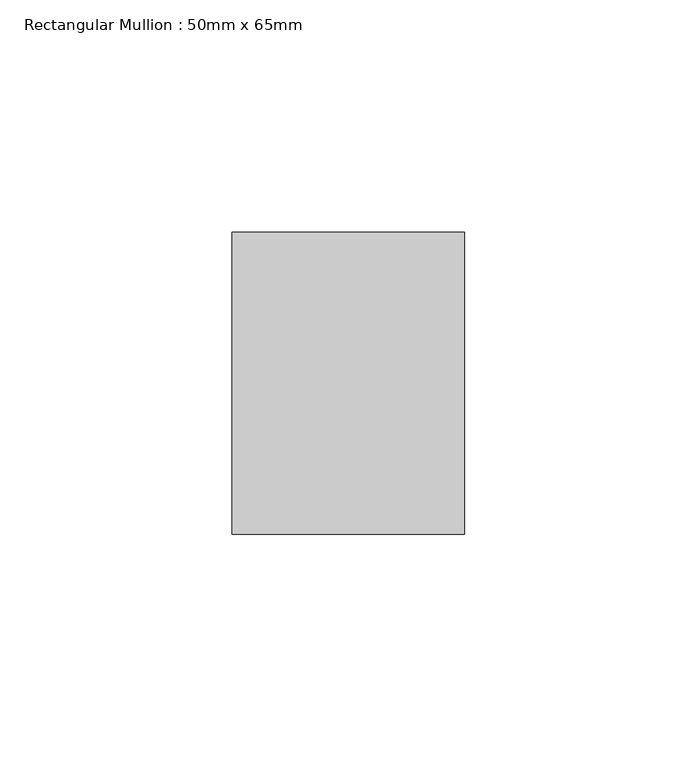
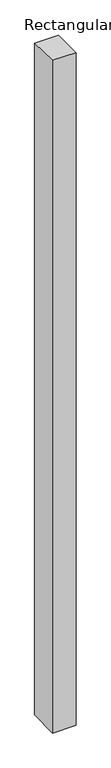
"""IFC4 building model written with IfcOpenShell, lengths in millimetres: member geometry, Rectangular Mullion : 50mm x 65mm."""

from ifc_helpers import new_model, si_unit, origin, place, context, project, spatial, faceted_brep, source, transform, mapped, element, save


def rectangular_mullion_50mm_x_65mm_68f679f6(model_context):
    return source(origin(), model_context, "Body", "Brep", [
        faceted_brep([(-25.0, 32.5, -0.5683197), (25.0, 32.5, -0.5683209), (25.0, 32.5, -1499.2868582), (-25.0, 32.5, -1499.2868597), (-25.0, -32.5, 0.5683209), (-25.0, -32.5, -1500.7122767), (25.0, -32.5, 0.5683197), (25.0, -32.5, -1500.7122752)], [[[0, 1, 2, 3]], [[4, 0, 3, 5]], [[6, 4, 5, 7]], [[1, 6, 7, 2]], [[1, 0, 4, 6]], [[2, 7, 5, 3]]]),
    ])


if __name__ == "__main__":
    model = new_model("IFC4")
    model_context = context("Model", 3, world=origin())
    ifc_project = project(units=[si_unit("LENGTHUNIT", "METRE", prefix="MILLI")], contexts=[model_context])
    site = spatial("IfcSite", under=ifc_project)
    building = spatial("IfcBuilding", under=site)
    placement = place(None, origin())
    rectangular_mullion_50mm_x_65mm_shape = rectangular_mullion_50mm_x_65mm_68f679f6(model_context)
    element("IfcMember", 1, ObjectType="Rectangular Mullion : 50mm x 65mm", at=placement, inside=building, context=model_context, shape_type="MappedRepresentation", body=[
        mapped(rectangular_mullion_50mm_x_65mm_shape, transform((0.0, 0.0, 0.0), x_axis=(1.0, 0.0, 0.0), y_axis=(0.0, 1.0, 0.0), z_axis=(0.0, 0.0, 1.0))),
    ])
    save(model, "model.ifc")
